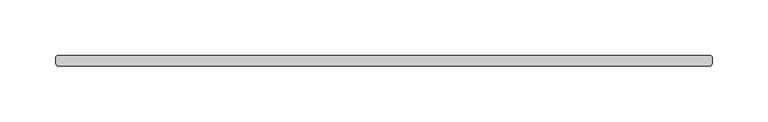
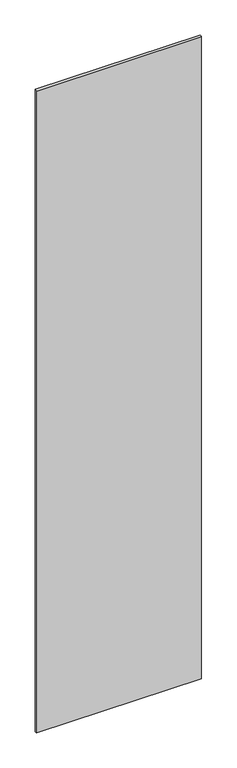
"""IFC4 building model written with IfcOpenShell, lengths in millimetres: plate geometry."""

from ifc_helpers import new_model, si_unit, origin, origin_with_axes, place, context, project, spatial, polyline, outline, extrude, source, transform, mapped, element, save


def plate_9ea5758f(model_context):
    return source(origin(), model_context, "Body", "SweptSolid", [
        extrude(outline(polyline([(294.084375, 34.925), (295.671875, 33.3375), (295.671875, 26.9875), (294.084375, 25.4), (-294.084375, 25.4), (-295.671875, 26.9875), (-295.671875, 33.3375), (-294.084375, 34.925), (294.084375, 34.925)])), origin_with_axes(), (0.0, 0.0, 1.0), 2428.7789267),
    ])


if __name__ == "__main__":
    model = new_model("IFC4")
    model_context = context("Model", 3, world=origin())
    ifc_project = project(units=[si_unit("LENGTHUNIT", "METRE", prefix="MILLI")], contexts=[model_context])
    site = spatial("IfcSite", under=ifc_project)
    building = spatial("IfcBuilding", under=site)
    placement = place(None, origin())
    plate_shape = plate_9ea5758f(model_context)
    element("IfcPlate", 1, at=placement, inside=building, context=model_context, shape_type="MappedRepresentation", body=[
        mapped(plate_shape, transform((0.0, 0.0, 0.0), x_axis=(1.0, 0.0, 0.0), y_axis=(0.0, 1.0, 0.0), z_axis=(0.0, 0.0, 1.0))),
    ])
    save(model, "model.ifc")
